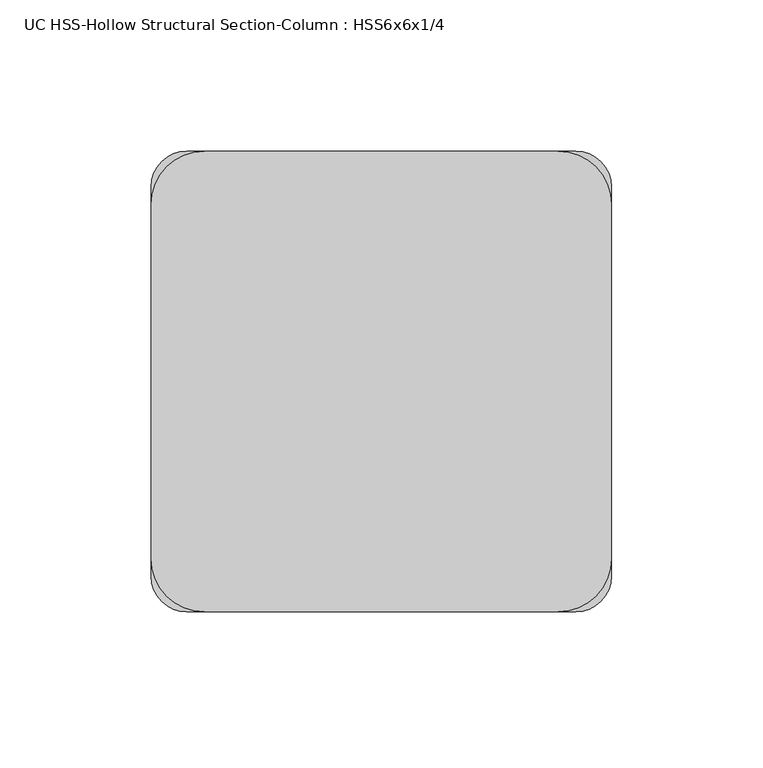
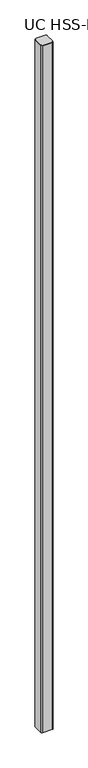
"""IFC4 building model written with IfcOpenShell, lengths in millimetres: column geometry, UC HSS-Hollow Structural Section-Column : HSS6x6x1/4."""

from ifc_helpers import new_model, si_unit, point, frame, frame_2d, origin, place, context, project, spatial, polyline, circle_curve, trimmed, segment, composite_curve, outline, extrude, source, transform, mapped, element, save


def uc_hss_hollow_structural_section_column_hss6x6x1_4_7d6e5119(model_context):
    return source(origin(), model_context, "Body", "SweptSolid", [
        extrude(outline(composite_curve([segment(trimmed(circle_curve(frame_2d((-58.5390625, 58.5390625)), 17.6609375), [point((-76.2, 58.5390625))], [point((-58.5390625, 76.2))], False, "CARTESIAN"), True, "CONTINUOUS"), segment(polyline([(-58.5390625, 76.2), (58.5390625, 76.2)]), True, "CONTINUOUS"), segment(trimmed(circle_curve(frame_2d((58.5390625, 58.5390625)), 17.6609375), [point((58.5390625, 76.2))], [point((76.2, 58.5390625))], False, "CARTESIAN"), True, "CONTINUOUS"), segment(polyline([(76.2, 58.5390625), (76.2, -58.5390625)]), True, "CONTINUOUS"), segment(trimmed(circle_curve(frame_2d((58.5390625, -58.5390625)), 17.6609375), [point((76.2, -58.5390625))], [point((58.5390625, -76.2))], False, "CARTESIAN"), True, "CONTINUOUS"), segment(polyline([(58.5390625, -76.2), (-58.5390625, -76.2)]), True, "CONTINUOUS"), segment(trimmed(circle_curve(frame_2d((-58.5390625, -58.5390625)), 17.6609375), [point((-58.5390625, -76.2))], [point((-76.2, -58.5390625))], False, "CARTESIAN"), True, "CONTINUOUS"), segment(polyline([(-76.2, -58.5390625), (-76.2, 58.5390625)]), True, "CONTINUOUS")], self_intersect=False)), frame((0.0, 0.0, 9086.85), z_axis=(0.0, 0.0, 1.0), x_axis=(1.0, 0.0, 0.0)), (0.0, 0.0, 1.0), 6.35),
        extrude(outline(composite_curve([segment(trimmed(circle_curve(frame_2d((64.3636, 64.3636)), 11.8364), [point((64.3636, 76.2))], [point((76.2, 64.3636))], False, "CARTESIAN"), True, "CONTINUOUS"), segment(polyline([(76.2, 64.3636), (76.2, -64.3636)]), True, "CONTINUOUS"), segment(trimmed(circle_curve(frame_2d((64.3636, -64.3636)), 11.8364), [point((76.2, -64.3636))], [point((64.3636, -76.2))], False, "CARTESIAN"), True, "CONTINUOUS"), segment(polyline([(64.3636, -76.2), (-64.3636, -76.2)]), True, "CONTINUOUS"), segment(trimmed(circle_curve(frame_2d((-64.3636, -64.3636)), 11.8364), [point((-64.3636, -76.2))], [point((-76.2, -64.3636))], False, "CARTESIAN"), True, "CONTINUOUS"), segment(polyline([(-76.2, -64.3636), (-76.2, 64.3636)]), True, "CONTINUOUS"), segment(trimmed(circle_curve(frame_2d((-64.3636, 64.3636)), 11.8364), [point((-76.2, 64.3636))], [point((-64.3636, 76.2))], False, "CARTESIAN"), True, "CONTINUOUS"), segment(polyline([(-64.3636, 76.2), (64.3636, 76.2)]), True, "CONTINUOUS")], self_intersect=False), holes=[composite_curve([segment(polyline([(64.3636, 70.2818), (-64.3636, 70.2818)]), True, "CONTINUOUS"), segment(trimmed(circle_curve(frame_2d((-64.3636, 64.3636)), 5.9182), [point((-64.3636, 70.2818))], [point((-70.2818, 64.3636))], True, "CARTESIAN"), True, "CONTINUOUS"), segment(polyline([(-70.2818, 64.3636), (-70.2818, -64.3636)]), True, "CONTINUOUS"), segment(trimmed(circle_curve(frame_2d((-64.3636, -64.3636)), 5.9182), [point((-70.2818, -64.3636))], [point((-64.3636, -70.2818))], True, "CARTESIAN"), True, "CONTINUOUS"), segment(polyline([(-64.3636, -70.2818), (64.3636, -70.2818)]), True, "CONTINUOUS"), segment(trimmed(circle_curve(frame_2d((64.3636, -64.3636)), 5.9182), [point((64.3636, -70.2818))], [point((70.2818, -64.3636))], True, "CARTESIAN"), True, "CONTINUOUS"), segment(polyline([(70.2818, -64.3636), (70.2818, 64.3636)]), True, "CONTINUOUS"), segment(trimmed(circle_curve(frame_2d((64.3636, 64.3636)), 5.9182), [point((70.2818, 64.3636))], [point((64.3636, 70.2818))], True, "CARTESIAN"), True, "CONTINUOUS")], self_intersect=False)]), frame((0.0, 0.0, -304.8), z_axis=(0.0, 0.0, 1.0), x_axis=(1.0, 0.0, 0.0)), (0.0, 0.0, 1.0), 9391.65),
    ])


if __name__ == "__main__":
    model = new_model("IFC4")
    model_context = context("Model", 3, world=origin())
    ifc_project = project(units=[si_unit("LENGTHUNIT", "METRE", prefix="MILLI")], contexts=[model_context])
    site = spatial("IfcSite", under=ifc_project)
    building = spatial("IfcBuilding", under=site)
    placement = place(None, origin())
    uc_hss_hollow_structural_section_column_hss6x6x1_4_shape = uc_hss_hollow_structural_section_column_hss6x6x1_4_7d6e5119(model_context)
    element("IfcColumn", 1, ObjectType="UC HSS-Hollow Structural Section-Column : HSS6x6x1/4", at=placement, inside=building, context=model_context, shape_type="MappedRepresentation", body=[
        mapped(uc_hss_hollow_structural_section_column_hss6x6x1_4_shape, transform((0.0, 0.0, 0.0), x_axis=(1.0, 0.0, 0.0), y_axis=(0.0, 1.0, 0.0), z_axis=(0.0, 0.0, 1.0))),
    ])
    save(model, "model.ifc")
